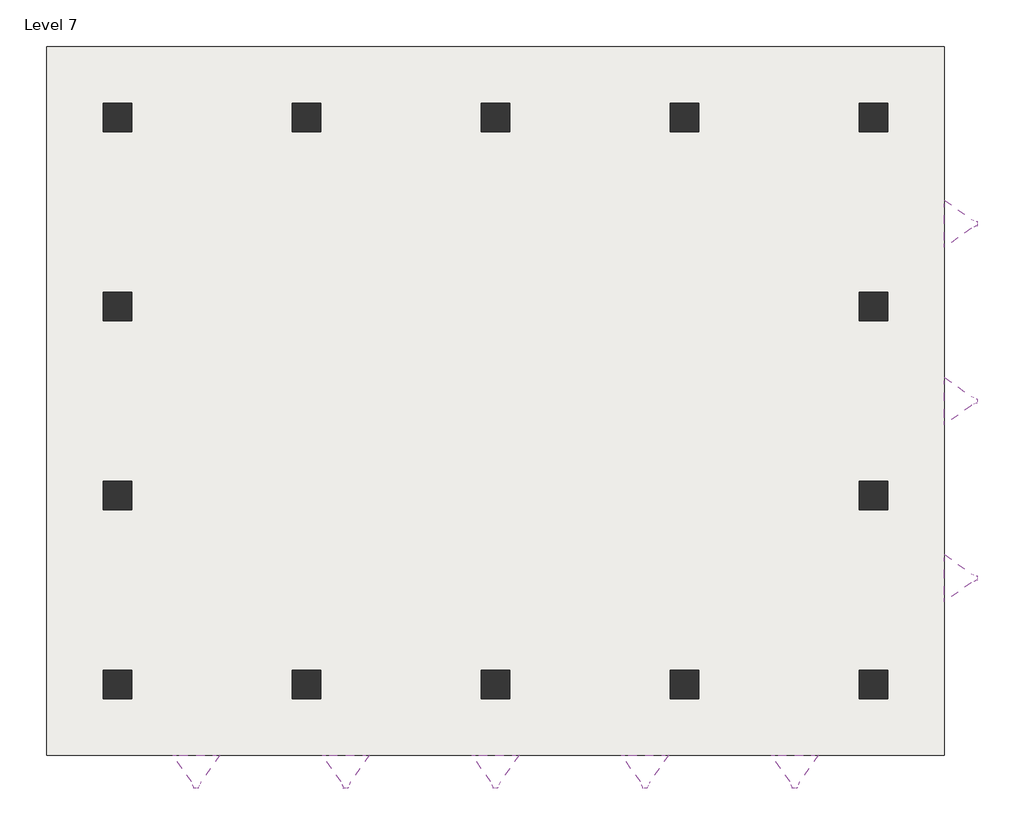
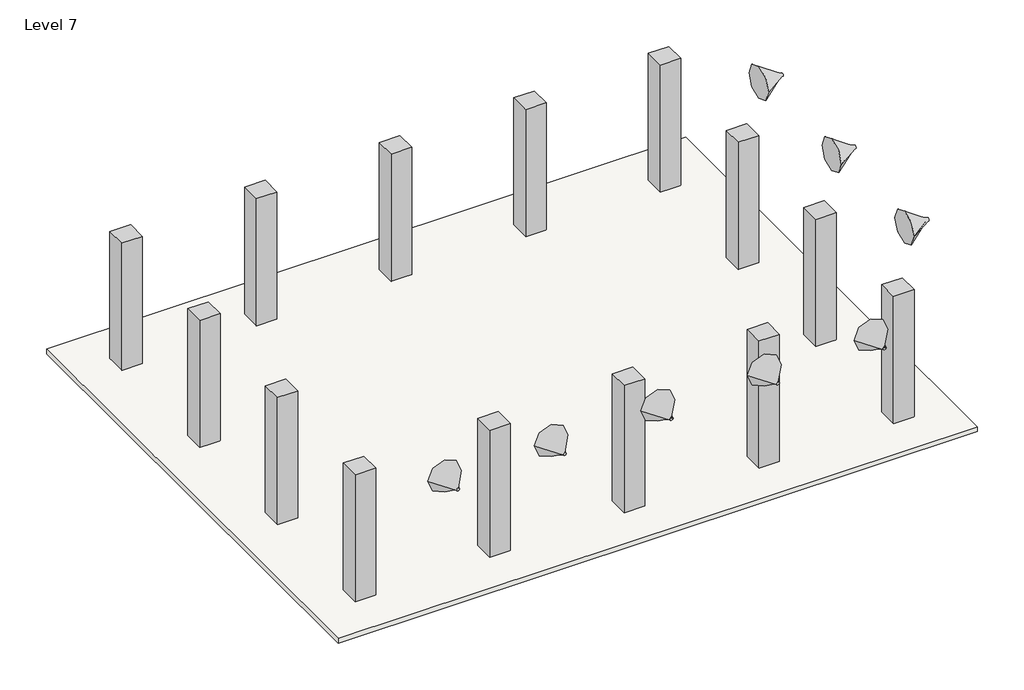
# One storey: 14 columns, 8 proxies, 1 slab.
"""IFC4 building model written with IfcOpenShell, lengths in millimetres."""

import ifcopenshell
import ifcopenshell.guid

model = None  # the IFC model being written
_history = None  # IfcOwnerHistory: only IFC2X3 demands one
_inside = {}  # id of a spatial element -> (the spatial element, [elements in it])
_under = {}  # id of a project, library or spatial element -> (it, [spatial elements below it])
_declared = {}  # id of a project -> (the project, [libraries it declares])
_typed = {}  # id of a type object -> (the type object, [elements of that type])
_made_of = {}  # id of a material, layer set ... -> (it, [elements and type objects made of it])


def new_model(schema):
    """Start an empty IFC model of exactly this schema.

    Asked for "IFC4X3", IfcOpenShell would pick the latest addendum, in which some entities
    have other attributes; the version numbers below select the first issue.
    IFC2X3 requires an IfcOwnerHistory on every rooted entity: one is made here for all.
    """
    global model, _history
    if schema == "IFC4X3":
        model = ifcopenshell.file(schema_version=(4, 3, 0, 0))
    else:
        model = ifcopenshell.file(schema=schema)
    _inside.clear()
    _under.clear()
    _declared.clear()
    _typed.clear()
    _made_of.clear()
    _history = None
    if model.schema == "IFC2X3":
        org = make("IfcOrganization", Name="unknown")
        user = make(
            "IfcPersonAndOrganization",
            ThePerson=make("IfcPerson", FamilyName="unknown"),
            TheOrganization=org,
        )
        app = make(
            "IfcApplication",
            ApplicationDeveloper=org,
            Version="unknown",
            ApplicationFullName="unknown",
            ApplicationIdentifier="unknown",
        )
        _history = make(
            "IfcOwnerHistory",
            OwningUser=user,
            OwningApplication=app,
            ChangeAction="ADDED",
            CreationDate=0,
        )
    return model


def make(cls, **values):
    """One entity of the class cls with the attributes given. An attribute that is None is left unset."""
    return model.create_entity(
        cls, **{name: value for name, value in values.items() if value is not None}
    )


def rooted(cls, **values):
    """An entity with a GlobalId (a new one), such as an element, a storey or a relation."""
    return make(cls, GlobalId=ifcopenshell.guid.new(), OwnerHistory=_history, **values)


def si_unit(unit_type, name, prefix=None):
    """IfcSIUnit, for example si_unit("LENGTHUNIT", "METRE", prefix="MILLI")."""
    return make("IfcSIUnit", UnitType=unit_type, Prefix=prefix, Name=name)


def assignment(units):
    """IfcUnitAssignment: the units of a project."""
    return None if units is None else make("IfcUnitAssignment", Units=units)


def point(xyz):
    """IfcCartesianPoint."""
    return None if xyz is None else make("IfcCartesianPoint", Coordinates=xyz)


def direction(xyz):
    """IfcDirection."""
    return None if xyz is None else make("IfcDirection", DirectionRatios=xyz)


def frame(location, z_axis=None, x_axis=None):
    """IfcAxis2Placement3D, a coordinate frame: its origin and axes. An axis left out is left unset."""
    return make(
        "IfcAxis2Placement3D",
        Location=point(location),
        Axis=direction(z_axis),
        RefDirection=direction(x_axis),
    )


def origin():
    """The frame at (0, 0, 0) with its axes left unset."""
    return frame((0.0, 0.0, 0.0))


def origin_with_axes():
    """The frame at (0, 0, 0) with the z axis (0, 0, 1) and the x axis (1, 0, 0) written out."""
    return frame((0.0, 0.0, 0.0), z_axis=(0.0, 0.0, 1.0), x_axis=(1.0, 0.0, 0.0))


def place(relative_to, where):
    """IfcLocalPlacement: puts the frame where relative to a parent placement (None: the world)."""
    return make(
        "IfcLocalPlacement", PlacementRelTo=relative_to, RelativePlacement=where
    )


def context(
    kind, dimensions, precision=None, world=None, true_north=None, identifier=None
):
    """IfcGeometricRepresentationContext, for example the 3D "Model" context."""
    return make(
        "IfcGeometricRepresentationContext",
        ContextIdentifier=identifier,
        ContextType=kind,
        CoordinateSpaceDimension=dimensions,
        Precision=precision,
        WorldCoordinateSystem=world,
        TrueNorth=true_north,
    )


def project(units=None, contexts=None):
    """IfcProject with its units and contexts."""
    return rooted(
        "IfcProject",
        Name="project",
        RepresentationContexts=contexts,
        UnitsInContext=assignment(units),
    )


def spatial(cls, under=None, at=None, **own):
    """A site, building, storey or space (cls), placed at a placement, below another one or the project."""
    s = rooted(cls, ObjectPlacement=at, **own)
    if under is not None:
        _under.setdefault(under.id(), (under, []))[1].append(s)
    return s


def polyline(points):
    """IfcPolyline through the points."""
    return make("IfcPolyline", Points=[point(p) for p in points])


def circle_curve(where, radius):
    """IfcCircle in the frame where."""
    return make("IfcCircle", Position=where, Radius=radius)


def outline(outer, holes=None, kind="AREA"):
    """IfcArbitraryClosedProfileDef: a profile drawn as a closed curve; with holes, ...WithVoids."""
    if holes is None:
        return make("IfcArbitraryClosedProfileDef", ProfileType=kind, OuterCurve=outer)
    return make(
        "IfcArbitraryProfileDefWithVoids",
        ProfileType=kind,
        OuterCurve=outer,
        InnerCurves=holes,
    )


def extrude(swept, where, along, depth):
    """IfcExtrudedAreaSolid: the profile swept, set in the frame where, extruded along a direction by depth."""
    return make(
        "IfcExtrudedAreaSolid",
        SweptArea=swept,
        Position=where,
        ExtrudedDirection=direction(along),
        Depth=depth,
    )


def shape(context_of_items, identifier, shape_type, items):
    """IfcShapeRepresentation: the items that make up one representation, for example the "Body"."""
    return make(
        "IfcShapeRepresentation",
        ContextOfItems=context_of_items,
        RepresentationIdentifier=identifier,
        RepresentationType=shape_type,
        Items=items,
    )


def source(mapping_origin, context_of_items, identifier, shape_type, items):
    """IfcRepresentationMap: a shape defined once, which mapped items show again and again."""
    return make(
        "IfcRepresentationMap",
        MappingOrigin=mapping_origin,
        MappedRepresentation=shape(context_of_items, identifier, shape_type, items),
    )


def transform(
    local_origin,
    x_axis=None,
    y_axis=None,
    z_axis=None,
    scale=None,
    scale2=None,
    scale3=None,
    uniform=True,
):
    """IfcCartesianTransformationOperator3D, or its non-uniform kind. x_axis, y_axis, z_axis: its Axis1, 2, 3."""
    if uniform:
        return make(
            "IfcCartesianTransformationOperator3D",
            Axis1=direction(x_axis),
            Axis2=direction(y_axis),
            LocalOrigin=point(local_origin),
            Scale=scale,
            Axis3=direction(z_axis),
        )
    return make(
        "IfcCartesianTransformationOperator3DnonUniform",
        Axis1=direction(x_axis),
        Axis2=direction(y_axis),
        LocalOrigin=point(local_origin),
        Scale=scale,
        Axis3=direction(z_axis),
        Scale2=scale2,
        Scale3=scale3,
    )


def mapped(mapping_source, mapping_target):
    """IfcMappedItem: shows the shape of a source again, moved by a transform."""
    return make(
        "IfcMappedItem", MappingSource=mapping_source, MappingTarget=mapping_target
    )


def made_of(thing, what):
    """Note that an element or type object is made of a material, layer set ...; save() writes the relation."""
    if what is not None:
        _made_of.setdefault(what.id(), (what, []))[1].append(thing)
    return thing


def element(
    cls,
    number,
    at=None,
    inside=None,
    cuts=None,
    type_object=None,
    material=None,
    context=None,
    identifier="Body",
    shape_type=None,
    held_by="IfcProductDefinitionShape",
    body=None,
    shapes=None,
    **own,
):
    """One element of the class cls, such as IfcWall. Its Tag is "e" and its number.

    at: its placement. inside: the storey or other place that contains it. cuts: it is an
    opening in that element (IfcRelVoidsElement). A single representation is given by context,
    identifier, shape_type and body (its items); several are given by shapes. held_by: the class
    of the entity that holds the representations. save() writes the other relations.
    """
    e = rooted(cls, Tag="e%d" % number, ObjectPlacement=at, **own)
    if body is not None:
        shapes = [shape(context, identifier, shape_type, body)]
    if shapes is not None:
        e.Representation = make(held_by, Representations=shapes)
    if inside is not None:
        _inside.setdefault(inside.id(), (inside, []))[1].append(e)
    if cuts is not None:
        rooted(
            "IfcRelVoidsElement", RelatingBuildingElement=cuts, RelatedOpeningElement=e
        )
    if type_object is not None:
        _typed.setdefault(type_object.id(), (type_object, []))[1].append(e)
    return made_of(e, material)


def aggregate(whole, parts):
    """IfcRelAggregates: a whole, such as a stair, and the parts it consists of."""
    return rooted("IfcRelAggregates", RelatingObject=whole, RelatedObjects=parts)


def save(model, path):
    """Write the relations noted so far, then the file.

    IfcRelAggregates (storeys below a building ...), IfcRelContainedInSpatialStructure (elements
    in a storey), IfcRelDefinesByType, IfcRelAssociatesMaterial and IfcRelDeclares: one each for
    every whole, place, type object, material and project.
    """
    for whole, parts in _under.values():
        aggregate(whole, parts)
    for where, things in _inside.values():
        rooted(
            "IfcRelContainedInSpatialStructure",
            RelatedElements=things,
            RelatingStructure=where,
        )
    for kind, things in _typed.values():
        rooted("IfcRelDefinesByType", RelatedObjects=things, RelatingType=kind)
    for what, things in _made_of.values():
        rooted("IfcRelAssociatesMaterial", RelatedObjects=things, RelatingMaterial=what)
    for by, libraries in _declared.values():
        rooted("IfcRelDeclares", RelatingContext=by, RelatedDefinitions=libraries)
    model.write(path)


def plane_surface(at):
    """IfcPlane: the flat surface through the origin of the frame at, square to its z axis."""
    return make("IfcPlane", Position=at)


def spline_surface(u_degree, v_degree, points, u_multiplicities, v_multiplicities, u_knots, v_knots, weights=None):
    """IfcBSplineSurfaceWithKnots; with weights, IfcRationalBSplineSurfaceWithKnots. points: one row for each step in u."""
    own = dict(
        UDegree=u_degree,
        VDegree=v_degree,
        ControlPointsList=[[point(p) for p in row] for row in points],
        SurfaceForm="UNSPECIFIED",
        UClosed=False,
        VClosed=False,
        SelfIntersect=False,
        UMultiplicities=u_multiplicities,
        VMultiplicities=v_multiplicities,
        UKnots=u_knots,
        VKnots=v_knots,
        KnotSpec="UNSPECIFIED",
    )
    if weights is None:
        return make("IfcBSplineSurfaceWithKnots", **own)
    return make("IfcRationalBSplineSurfaceWithKnots", WeightsData=weights, **own)


def advanced_brep(points, edges, surfaces, faces):
    """IfcAdvancedBrep: a solid bounded by faces that lie on surfaces and meet in shared edges.

    An edge is (start, end): straight between two places in points (the first is 0);
    or (start, end, curve); or (start, end, curve, False) where it runs against its curve.
    A face is (place in surfaces, loops), or (place, loops, False) where it looks against
    its surface's normal. A loop lists edges by number (the first is 1), with a minus sign
    where the edge is run from its end to its start. The first loop is the outer one.
    """
    corners = [point(p) for p in points]
    vertices = [make("IfcVertexPoint", VertexGeometry=c) for c in corners]
    made = []
    for start, end, *more in edges:
        made.append(
            make(
                "IfcEdgeCurve",
                EdgeStart=vertices[start],
                EdgeEnd=vertices[end],
                EdgeGeometry=more[0] if more else make("IfcPolyline", Points=[corners[start], corners[end]]),
                SameSense=more[1] if len(more) > 1 else True,
            )
        )
    hull = []
    for where, loops, *sense in faces:
        bounds = []
        for j, loop in enumerate(loops):
            ring = [make("IfcOrientedEdge", EdgeElement=made[abs(k) - 1], Orientation=k > 0) for k in loop]
            bounds.append(
                make(
                    "IfcFaceOuterBound" if j == 0 else "IfcFaceBound",
                    Bound=make("IfcEdgeLoop", EdgeList=ring),
                    Orientation=True,
                )
            )
        hull.append(make("IfcAdvancedFace", Bounds=bounds, FaceSurface=surfaces[where], SameSense=sense[0] if sense else True))
    return make("IfcAdvancedBrep", Outer=make("IfcClosedShell", CfsFaces=hull))


def generic_models_e072c9cb(model_context):
    return source(origin(), model_context, "Body", "AdvancedBrep", [
        advanced_brep(
        [(-500.0, 0.0, 0.0), (500.0, 0.0, 0.0), (0.0, 50.0, 700.0), (0.0, -50.0, 700.0)],
        [
            (0, 1, circle_curve(origin_with_axes(), 500.0)),
            (1, 2),
            (2, 3, circle_curve(frame((0.0, 0.0, 700.0), z_axis=(0.0, 0.0, -1.0), x_axis=(0.0, 1.0, 0.0)), 50.0)),
            (3, 0),
            (1, 0, circle_curve(origin_with_axes(), 500.0)),
            (3, 2, circle_curve(frame((0.0, 0.0, 700.0), z_axis=(0.0, 0.0, -1.0), x_axis=(0.0, 1.0, 0.0)), 50.0)),
        ],
        [
            spline_surface(2, 1, [[(-500.0, 0.0, 0.0), (0.0, -50.0, 700.0)], [(-500.0, -500.0, 0.0), (50.0, -50.0, 700.0)], [(0.0, -500.0, 0.0), (50.0, 0.0, 700.0)], [(500.0, -500.0, 0.0), (50.0, 50.0, 700.0)], [(500.0, 0.0, 0.0), (0.0, 50.0, 700.0)]], [3, 2, 3], [2, 2], [0.0, 1.0, 2.0], [0.0, 1.0], weights=[[1.0, 1.0], [0.7071067811865476, 0.7071067811865476], [1.0, 1.0], [0.7071067811865476, 0.7071067811865476], [1.0, 1.0]]),
            spline_surface(2, 1, [[(500.0, 0.0, 0.0), (0.0, 50.0, 700.0)], [(500.0, 500.0, 0.0), (-50.0, 50.0, 700.0)], [(0.0, 500.0, 0.0), (-50.0, 0.0, 700.0)], [(-500.0, 500.0, 0.0), (-50.0, -50.0, 700.0)], [(-500.0, 0.0, 0.0), (0.0, -50.0, 700.0)]], [3, 2, 3], [2, 2], [0.0, 1.0, 2.0], [0.0, 1.0], weights=[[1.0, 1.0], [0.7071067811865476, 0.7071067811865476], [1.0, 1.0], [0.7071067811865476, 0.7071067811865476], [1.0, 1.0]]),
            plane_surface(frame((0.0, 0.0, 700.0), z_axis=(0.0, 0.0, 1.0), x_axis=(0.0, 1.0, 0.0))),
            plane_surface(frame((0.0, 0.0, 0.0), z_axis=(0.0, 0.0, -1.0), x_axis=(1.0, 0.0, 0.0))),
        ],
        [
            (0, [[1, 2, 3, 4]]),
            (1, [[5, -4, 6, -2]]),
            (2, [[-3, -6]]),
            (3, [[-5, -1]]),
        ],
    ),
    ])


def m_rectangular_column_610_x_610mm_0f1cb55a(model_context):
    return source(origin(), model_context, "Body", "SweptSolid", [
        extrude(outline(polyline([(305.0, 305.0), (305.0, -305.0), (-305.0, -305.0), (-305.0, 305.0), (305.0, 305.0)])), frame((0.0, 0.0, 23997.5633081), z_axis=(0.0, 0.0, 1.0), x_axis=(1.0, 0.0, 0.0)), (0.0, 0.0, 1.0), 4000.0),
    ])


model = new_model("IFC4")

# Units and contexts
model_context = context("Model", 3, world=origin())
ifc_project = project(units=[si_unit("LENGTHUNIT", "METRE", prefix="MILLI")], contexts=[model_context])

# Site, building, storey
site = spatial("IfcSite", under=ifc_project)
building = spatial("IfcBuilding", under=site)
storey = spatial("IfcBuildingStorey", under=building, Name="Level 7", Elevation=23997.5633081)

# Proxies
placement = place(None, origin())
generic_models_shape = generic_models_e072c9cb(model_context)
element("IfcBuildingElementProxy", 1, Name="Generic Models", at=placement, inside=storey, context=model_context, shape_type="MappedRepresentation", body=[
    mapped(generic_models_shape, transform((-4398.860179, -9392.8664527, 28000.0), x_axis=(1.0, 0.0, 0.0), y_axis=(0.0, 0.0, 1.0), z_axis=(0.0, -1.0, 0.0))),
])
element("IfcBuildingElementProxy", 2, Name="Generic Models", at=placement, inside=storey, context=model_context, shape_type="MappedRepresentation", body=[
    mapped(generic_models_shape, transform((-1232.1935123, -9392.8664527, 28000.0), x_axis=(1.0, 0.0, 0.0), y_axis=(0.0, 0.0, 1.0), z_axis=(0.0, -1.0, 0.0))),
])
element("IfcBuildingElementProxy", 3, Name="Generic Models", at=placement, inside=storey, context=model_context, shape_type="MappedRepresentation", body=[
    mapped(generic_models_shape, transform((1934.4731543, -9392.8664527, 28000.0), x_axis=(1.0, 0.0, 0.0), y_axis=(0.0, 0.0, 1.0), z_axis=(0.0, -1.0, 0.0))),
])
element("IfcBuildingElementProxy", 4, Name="Generic Models", at=placement, inside=storey, context=model_context, shape_type="MappedRepresentation", body=[
    mapped(generic_models_shape, transform((5101.139821, -9392.8664527, 28000.0), x_axis=(1.0, 0.0, 0.0), y_axis=(0.0, 0.0, 1.0), z_axis=(0.0, -1.0, 0.0))),
])
element("IfcBuildingElementProxy", 5, Name="Generic Models", at=placement, inside=storey, context=model_context, shape_type="MappedRepresentation", body=[
    mapped(generic_models_shape, transform((8267.8064877, -9392.8664527, 28000.0), x_axis=(1.0, 0.0, 0.0), y_axis=(0.0, 0.0, 1.0), z_axis=(0.0, -1.0, 0.0))),
])
element("IfcBuildingElementProxy", 6, Name="Generic Models", at=placement, inside=storey, context=model_context, shape_type="MappedRepresentation", body=[
    mapped(generic_models_shape, transform((11434.4731543, -1892.8664527, 28000.0), x_axis=(0.0, 1.0, 0.0), y_axis=(0.0, 0.0, 1.0), z_axis=(1.0, 0.0, 0.0))),
])
element("IfcBuildingElementProxy", 7, Name="Generic Models", at=placement, inside=storey, context=model_context, shape_type="MappedRepresentation", body=[
    mapped(generic_models_shape, transform((11434.4731543, 1857.1335473, 28000.0), x_axis=(0.0, 1.0, 0.0), y_axis=(0.0, 0.0, 1.0), z_axis=(1.0, 0.0, 0.0))),
])
element("IfcBuildingElementProxy", 8, Name="Generic Models", at=placement, inside=storey, context=model_context, shape_type="MappedRepresentation", body=[
    mapped(generic_models_shape, transform((11434.4731543, -5642.8664527, 28000.0), x_axis=(0.0, 1.0, 0.0), y_axis=(0.0, 0.0, 1.0), z_axis=(1.0, 0.0, 0.0))),
])

# Columns
m_rectangular_column_610_x_610mm_shape = m_rectangular_column_610_x_610mm_0f1cb55a(model_context)
element("IfcColumn", 9, ObjectType="M_Rectangular Column : 610 x 610mm", at=placement, inside=storey, context=model_context, shape_type="MappedRepresentation", body=[
    mapped(m_rectangular_column_610_x_610mm_shape, transform((-6065.5268457, 4107.1335473, 0.0), x_axis=(1.0, 0.0, 0.0), y_axis=(0.0, 1.0, 0.0), z_axis=(0.0, 0.0, 1.0))),
])
element("IfcColumn", 10, ObjectType="M_Rectangular Column : 610 x 610mm", at=placement, inside=storey, context=model_context, shape_type="MappedRepresentation", body=[
    mapped(m_rectangular_column_610_x_610mm_shape, transform((-2065.5268457, 4107.1335473, 0.0), x_axis=(1.0, 0.0, 0.0), y_axis=(0.0, 1.0, 0.0), z_axis=(0.0, 0.0, 1.0))),
])
element("IfcColumn", 11, ObjectType="M_Rectangular Column : 610 x 610mm", at=placement, inside=storey, context=model_context, shape_type="MappedRepresentation", body=[
    mapped(m_rectangular_column_610_x_610mm_shape, transform((1934.4731543, 4107.1335473, 0.0), x_axis=(1.0, 0.0, 0.0), y_axis=(0.0, 1.0, 0.0), z_axis=(0.0, 0.0, 1.0))),
])
element("IfcColumn", 12, ObjectType="M_Rectangular Column : 610 x 610mm", at=placement, inside=storey, context=model_context, shape_type="MappedRepresentation", body=[
    mapped(m_rectangular_column_610_x_610mm_shape, transform((5934.4731543, 4107.1335473, 0.0), x_axis=(1.0, 0.0, 0.0), y_axis=(0.0, 1.0, 0.0), z_axis=(0.0, 0.0, 1.0))),
])
element("IfcColumn", 13, ObjectType="M_Rectangular Column : 610 x 610mm", at=placement, inside=storey, context=model_context, shape_type="MappedRepresentation", body=[
    mapped(m_rectangular_column_610_x_610mm_shape, transform((9934.4731543, 4107.1335473, 0.0), x_axis=(1.0, 0.0, 0.0), y_axis=(0.0, 1.0, 0.0), z_axis=(0.0, 0.0, 1.0))),
])
element("IfcColumn", 14, ObjectType="M_Rectangular Column : 610 x 610mm", at=placement, inside=storey, context=model_context, shape_type="MappedRepresentation", body=[
    mapped(m_rectangular_column_610_x_610mm_shape, transform((9934.4731543, 107.1335473, 0.0), x_axis=(1.0, 0.0, 0.0), y_axis=(0.0, 1.0, 0.0), z_axis=(0.0, 0.0, 1.0))),
])
element("IfcColumn", 15, ObjectType="M_Rectangular Column : 610 x 610mm", at=placement, inside=storey, context=model_context, shape_type="MappedRepresentation", body=[
    mapped(m_rectangular_column_610_x_610mm_shape, transform((9934.4731543, -3892.8664527, 0.0), x_axis=(1.0, 0.0, 0.0), y_axis=(0.0, 1.0, 0.0), z_axis=(0.0, 0.0, 1.0))),
])
element("IfcColumn", 16, ObjectType="M_Rectangular Column : 610 x 610mm", at=placement, inside=storey, context=model_context, shape_type="MappedRepresentation", body=[
    mapped(m_rectangular_column_610_x_610mm_shape, transform((9934.4731543, -7892.8664527, 0.0), x_axis=(1.0, 0.0, 0.0), y_axis=(0.0, 1.0, 0.0), z_axis=(0.0, 0.0, 1.0))),
])
element("IfcColumn", 17, ObjectType="M_Rectangular Column : 610 x 610mm", at=placement, inside=storey, context=model_context, shape_type="MappedRepresentation", body=[
    mapped(m_rectangular_column_610_x_610mm_shape, transform((5934.4731543, -7892.8664527, 0.0), x_axis=(1.0, 0.0, 0.0), y_axis=(0.0, 1.0, 0.0), z_axis=(0.0, 0.0, 1.0))),
])
element("IfcColumn", 18, ObjectType="M_Rectangular Column : 610 x 610mm", at=placement, inside=storey, context=model_context, shape_type="MappedRepresentation", body=[
    mapped(m_rectangular_column_610_x_610mm_shape, transform((1934.4731543, -7892.8664527, 0.0), x_axis=(1.0, 0.0, 0.0), y_axis=(0.0, 1.0, 0.0), z_axis=(0.0, 0.0, 1.0))),
])
element("IfcColumn", 19, ObjectType="M_Rectangular Column : 610 x 610mm", at=placement, inside=storey, context=model_context, shape_type="MappedRepresentation", body=[
    mapped(m_rectangular_column_610_x_610mm_shape, transform((-2065.5268457, -7892.8664527, 0.0), x_axis=(1.0, 0.0, 0.0), y_axis=(0.0, 1.0, 0.0), z_axis=(0.0, 0.0, 1.0))),
])
element("IfcColumn", 20, ObjectType="M_Rectangular Column : 610 x 610mm", at=placement, inside=storey, context=model_context, shape_type="MappedRepresentation", body=[
    mapped(m_rectangular_column_610_x_610mm_shape, transform((-6065.5268457, -7892.8664527, 0.0), x_axis=(1.0, 0.0, 0.0), y_axis=(0.0, 1.0, 0.0), z_axis=(0.0, 0.0, 1.0))),
])
element("IfcColumn", 21, ObjectType="M_Rectangular Column : 610 x 610mm", at=placement, inside=storey, context=model_context, shape_type="MappedRepresentation", body=[
    mapped(m_rectangular_column_610_x_610mm_shape, transform((-6065.5268457, -3892.8664527, 0.0), x_axis=(1.0, 0.0, 0.0), y_axis=(0.0, 1.0, 0.0), z_axis=(0.0, 0.0, 1.0))),
])
element("IfcColumn", 22, ObjectType="M_Rectangular Column : 610 x 610mm", at=placement, inside=storey, context=model_context, shape_type="MappedRepresentation", body=[
    mapped(m_rectangular_column_610_x_610mm_shape, transform((-6065.5268457, 107.1335473, 0.0), x_axis=(1.0, 0.0, 0.0), y_axis=(0.0, 1.0, 0.0), z_axis=(0.0, 0.0, 1.0))),
])

# Slab
element("IfcSlab", 23, ObjectType="Generic 150mm", at=placement, inside=storey, context=model_context, shape_type="SweptSolid", body=[
    extrude(outline(polyline([(11434.4731543, 5607.1335473), (11434.4731543, -9392.8664527), (-7565.5268457, -9392.8664527), (-7565.5268457, 5607.1335473), (11434.4731543, 5607.1335473)])), frame((0.0, 0.0, 23847.5633081), z_axis=(0.0, 0.0, 1.0), x_axis=(1.0, 0.0, 0.0)), (0.0, 0.0, 1.0), 150.0),
])

save(model, "model.ifc")
